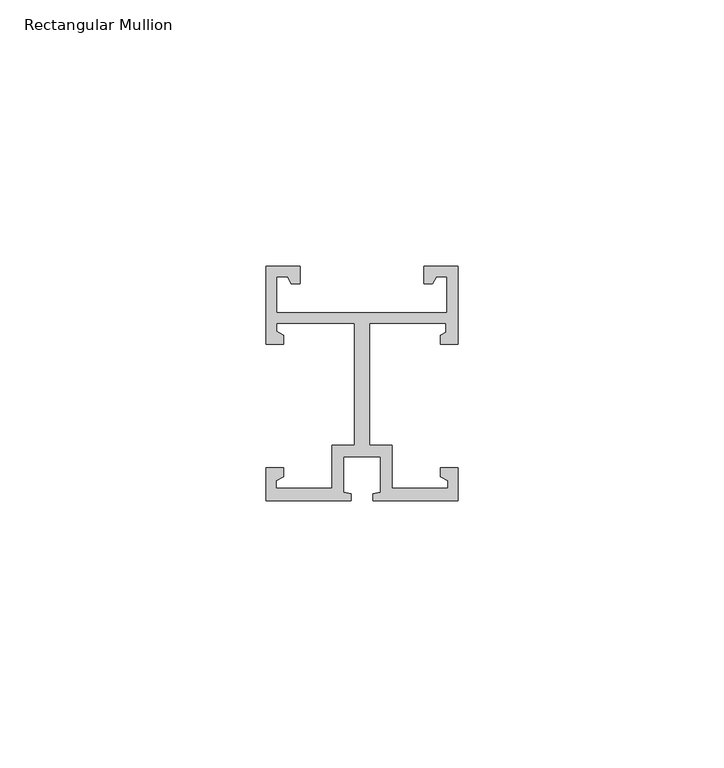
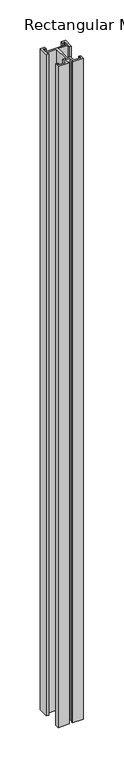
"""IFC4 building model written with IfcOpenShell, lengths in millimetres: member geometry, Rectangular Mullion."""

from ifc_helpers import new_model, si_unit, frame, origin, place, context, project, spatial, polyline, outline, extrude, source, transform, mapped, element, save


def rectangular_mullion_c88530c1(model_context):
    return source(origin(), model_context, "Body", "SweptSolid", [
        extrude(outline(polyline([(18.0, -6.2e-05), (2.05, -6.2e-05), (2.05, 1.299938), (3.5, 1.6052011), (3.5, 8.299938), (-3.5, 8.299938), (-3.5, 1.6052011), (-2.05, 1.299938), (-2.05, -6.2e-05), (-18.0, -6.2e-05), (-18.0, 6.199938), (-14.75, 6.199938), (-14.75, 4.5216258), (-16.1378615, 3.7203436), (-16.1378615, 2.299938), (-5.6, 2.299938), (-5.6, 10.3825137), (-1.4, 10.3825137), (-1.4, 33.299938), (-16.0842281, 33.299938), (-16.0842281, 31.8485671), (-14.75, 31.0782502), (-14.75, 29.399938), (-18.0, 29.399938), (-18.0, 44.0), (-11.6, 44.0), (-11.6, 40.75), (-13.2783122, 40.75), (-14.0, 42.0), (-16.0, 42.0), (-16.0, 35.3), (16.0, 35.3), (16.0, 42.0), (14.0, 42.0), (13.2783122, 40.75), (11.6, 40.75), (11.6, 44.0), (18.0, 44.0), (18.0, 29.399938), (14.75, 29.399938), (14.75, 31.0782502), (15.75, 31.6556004), (15.75, 33.299938), (1.4, 33.299938), (1.4, 10.3825137), (5.6, 10.3825137), (5.6, 2.299938), (16.1378615, 2.299938), (16.1378615, 3.7203436), (14.75, 4.5216258), (14.75, 6.199938), (18.0, 6.199938), (18.0, -6.2e-05)])), frame((0.0, 0.0, -1000.0), z_axis=(0.0, 0.0, 1.0), x_axis=(1.0, 0.0, 0.0)), (0.0, 0.0, 1.0), 1000.0),
    ])


if __name__ == "__main__":
    model = new_model("IFC4")
    model_context = context("Model", 3, world=origin())
    ifc_project = project(units=[si_unit("LENGTHUNIT", "METRE", prefix="MILLI")], contexts=[model_context])
    site = spatial("IfcSite", under=ifc_project)
    building = spatial("IfcBuilding", under=site)
    placement = place(None, origin())
    rectangular_mullion_shape = rectangular_mullion_c88530c1(model_context)
    element("IfcMember", 1, ObjectType="Rectangular Mullion", at=placement, inside=building, context=model_context, shape_type="MappedRepresentation", body=[
        mapped(rectangular_mullion_shape, transform((0.0, 0.0, 0.0), x_axis=(1.0, 0.0, 0.0), y_axis=(0.0, 1.0, 0.0), z_axis=(0.0, 0.0, 1.0))),
    ])
    save(model, "model.ifc")
